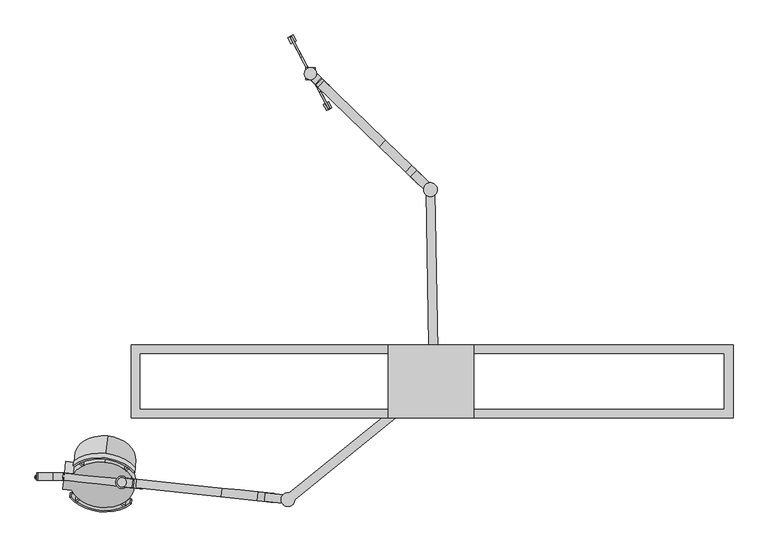
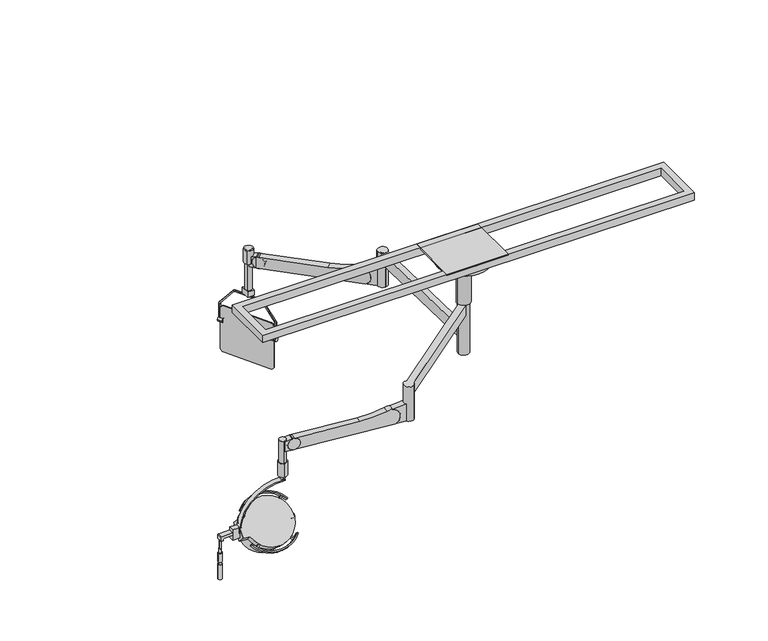
"""IFC4 building model written with IfcOpenShell, lengths in millimetres: proxy geometry."""

from ifc_helpers import new_model, si_unit, point, frame, frame_2d, origin, place, context, project, spatial, polyline, circle_curve, trimmed, segment, composite_curve, outline, extrude, source, transform, mapped, element, save
from ifc_brep_helpers import plane_surface, cylinder_surface, revolved_surface, advanced_brep


def specialty_equipment_6498ad8c(model_context):
    return source(origin(), model_context, "Body", "SolidModel", [
        advanced_brep(
        [(-513.8942609, 1001.8395463, 2046.4112668), (-522.8376942, 1018.6596979, 2027.3612668), (-522.8376942, 1018.6596979, 1784.8611512), (-513.8942609, 1001.8395463, 1765.8111512), (-383.4691924, 756.5456681, 1765.8111512), (-374.5257591, 739.7255165, 1784.8611512), (-374.5257591, 739.7255165, 2027.3612668), (-383.4691924, 756.5456681, 2046.4112668), (-508.4514172, 1004.7335576, 2046.4289905), (-377.9850696, 759.3620447, 2046.4289905), (-369.0829154, 742.6195278, 2027.3612668), (-369.0829154, 742.6195278, 1784.8611512), (-378.0263487, 759.4396794, 1765.8111512), (-508.4514172, 1004.7335576, 1765.8111512), (-517.3948505, 1021.5537092, 1784.8611512), (-517.3948505, 1021.5537092, 2027.3612668)],
        [
            (0, 1, circle_curve(frame((-513.8942609, 1001.8395463, 2027.3612668), z_axis=(-0.8829475928589281, -0.4694715627858887, 0.0), x_axis=(0.4694715627858887, -0.8829475928589281, 0.0)), 19.05)),
            (1, 2),
            (2, 3, circle_curve(frame((-513.8942609, 1001.8395463, 1784.8611512), z_axis=(-0.8829475928589281, -0.4694715627858887, 0.0), x_axis=(0.4694715627858887, -0.8829475928589281, 0.0)), 19.05)),
            (3, 4),
            (4, 5, circle_curve(frame((-383.4691924, 756.5456681, 1784.8611512), z_axis=(-0.8829475928589281, -0.4694715627858887, 0.0), x_axis=(0.4694715627858887, -0.8829475928589281, 0.0)), 19.05)),
            (5, 6),
            (6, 7, circle_curve(frame((-383.4691924, 756.5456681, 2027.3612668), z_axis=(-0.8829475928589281, -0.4694715627858887, 0.0), x_axis=(0.4694715627858887, -0.8829475928589281, 0.0)), 19.05)),
            (7, 0),
            (8, 9),
            (9, 10, circle_curve(frame((-378.0263487, 759.4396794, 2027.3612668), z_axis=(0.8829475928589281, 0.4694715627858887, 0.0), x_axis=(0.4694715627858887, -0.8829475928589281, 0.0)), 19.05)),
            (10, 11),
            (11, 12, circle_curve(frame((-378.0263487, 759.4396794, 1784.8611512), z_axis=(0.8829475928589281, 0.4694715627858887, 0.0), x_axis=(0.4694715627858887, -0.8829475928589281, 0.0)), 19.05)),
            (12, 13),
            (13, 14, circle_curve(frame((-508.4514172, 1004.7335576, 1784.8611512), z_axis=(0.8829475928589281, 0.4694715627858887, 0.0), x_axis=(0.4694715627858887, -0.8829475928589281, 0.0)), 19.05)),
            (14, 15),
            (15, 8, circle_curve(frame((-508.4514172, 1004.7335576, 2027.3612668), z_axis=(0.8829475928589281, 0.4694715627858887, 0.0), x_axis=(0.4694715627858887, -0.8829475928589281, 0.0)), 19.05)),
            (1, 15),
            (14, 2),
            (3, 13),
            (12, 4),
            (7, 9),
            (8, 0),
            (11, 5),
            (10, 6),
        ],
        [
            plane_surface(frame((-504.9508276, 985.0193946, 2027.3612668), z_axis=(-0.8829475928589281, -0.4694715627858887, 0.0), x_axis=(0.0, 0.0, 1.0))),
            plane_surface(frame((-499.507984, 987.9134059, 2027.3612668), z_axis=(0.8829475928589281, 0.4694715627858887, 0.0), x_axis=(0.0, 0.0, -1.0))),
            plane_surface(frame((-522.8376942, 1018.6596979, 2027.3612668), z_axis=(-0.46947156278589225, 0.8829475928589262, 0.0), x_axis=(0.8829475928589262, 0.46947156278589225, 0.0))),
            plane_surface(frame((-513.8942609, 1001.8395463, 1765.8111512), z_axis=(0.0, 0.0, -1.0000000000000002), x_axis=(0.8829475928589262, 0.46947156278589225, 0.0))),
            plane_surface(frame((-383.4279132, 756.4680334, 2046.4289905), z_axis=(0.0, 0.0, 1.0000000000000002), x_axis=(0.8829475928589262, 0.46947156278589225, 0.0))),
            cylinder_surface(frame((-508.4514172, 1004.7335576, 2027.3612668), z_axis=(-0.8829475928589281, -0.4694715627858887, 0.0), x_axis=(0.4694715627858887, -0.8829475928589281, 0.0)), 19.05),
            cylinder_surface(frame((-508.4514172, 1004.7335576, 1784.8611512), z_axis=(-0.8829475928589281, -0.4694715627858887, 0.0), x_axis=(0.4694715627858887, -0.8829475928589281, 0.0)), 19.05),
            cylinder_surface(frame((-378.0263487, 759.4396794, 1784.8611512), z_axis=(-0.8829475928589281, -0.4694715627858887, 0.0), x_axis=(0.4694715627858887, -0.8829475928589281, 0.0)), 19.05),
            plane_surface(frame((-374.5257591, 739.7255165, 1784.8611512), z_axis=(0.46947156278589225, -0.8829475928589262, 0.0), x_axis=(0.8829475928589262, 0.46947156278589225, 0.0))),
            cylinder_surface(frame((-378.0263487, 759.4396794, 2027.3612668), z_axis=(-0.8829475928589281, -0.4694715627858887, 0.0), x_axis=(0.4694715627858887, -0.8829475928589281, 0.0)), 19.05),
        ],
        [
            (0, [[1, 2, 3, 4, 5, 6, 7, 8]]),
            (1, [[9, 10, 11, 12, 13, 14, 15, 16]]),
            (2, [[-2, 17, -15, 18]]),
            (3, [[-4, 19, -13, 20]]),
            (4, [[-8, 21, -9, 22]]),
            (5, [[-1, -22, -16, -17]]),
            (6, [[-3, -18, -14, -19]]),
            (7, [[-5, -20, -12, 23]]),
            (8, [[-6, -23, -11, 24]]),
            (9, [[-7, -24, -10, -21]]),
        ],
    ),
        extrude(outline(composite_curve([segment(trimmed(circle_curve(frame_2d((0.0, -12.7)), 12.7), [point((0.0, -25.4))], [point((0.0, 0.0))], False, "CARTESIAN"), True, "CONTINUOUS"), segment(trimmed(circle_curve(frame_2d((0.0, -12.7)), 12.7), [point((0.0, 0.0))], [point((0.0, -25.4))], False, "CARTESIAN"), True, "CONTINUOUS")], self_intersect=False)), frame((-523.812155, 1000.15818, 1957.1110612), z_axis=(-0.46947156278589297, 0.8829475928589258, 0.0), x_axis=(0.0, 0.0, -1.0)), (0.0, 0.0, 1.0), 27.7312661),
        extrude(outline(composite_curve([segment(trimmed(circle_curve(frame_2d((0.0, -12.7)), 12.7), [point((0.0, -25.3999999))], [point((0.0, 0.0))], False, "CARTESIAN"), True, "CONTINUOUS"), segment(trimmed(circle_curve(frame_2d((0.0, -12.7)), 12.7), [point((0.0, 0.0))], [point((0.0, -25.3999999))], False, "CARTESIAN"), True, "CONTINUOUS")], self_intersect=False)), frame((-375.9280269, 722.0285866, 1957.1110612), z_axis=(-0.4694715627858873, 0.8829475928589289, 0.0), x_axis=(0.0, 0.0, -1.0)), (0.0, 0.0, 1.0), 27.7312661),
        extrude(outline(polyline([(-462.8551233, 850.0746977), (-462.8551233, 900.8746977), (-423.7336203, 900.8746977), (-423.7336203, 850.0746977), (-462.8551233, 850.0746977)])), frame((0.0, 0.0, 2174.6956266), z_axis=(0.0, 0.0, 1.0), x_axis=(1.0, 0.0, 0.0)), (0.0, 0.0, 1.0), 31.75),
        extrude(outline(composite_curve([segment(trimmed(circle_curve(frame_2d((0.0, -20.2693963)), 20.2693964), [point((12.7168685, -4.4855538))], [point((20.2693964, -20.2693963))], False, "CARTESIAN"), True, "CONTINUOUS"), segment(polyline([(20.2693964, -20.2693963), (20.2693964, -168.0406938)]), True, "CONTINUOUS"), segment(trimmed(circle_curve(frame_2d((0.0, -168.0406938)), 20.2693964), [point((20.2693964, -168.0406938))], [point((11.9140523, -184.4389799))], False, "CARTESIAN"), True, "CONTINUOUS"), segment(polyline([(11.9140523, -184.4389799), (-84.9796948, -262.5366206)]), True, "CONTINUOUS"), segment(trimmed(circle_curve(frame_2d((-92.4638155, -253.4593625)), 11.7647217), [point((-84.9796948, -262.5366206))], [point((-92.3622355, -265.2236457))], False, "CARTESIAN"), True, "CONTINUOUS"), segment(polyline([(-92.3622355, -265.2236457), (-177.1978944, -265.2236457), (-177.1978944, -256.6369988), (-94.1751587, -256.6369988)]), True, "CONTINUOUS"), segment(trimmed(circle_curve(frame_2d((-93.8125497, -246.9819184)), 9.661887), [point((-94.1751587, -256.6369988))], [point((-87.7322164, -254.4906872))], True, "CARTESIAN"), True, "CONTINUOUS"), segment(polyline([(-87.7322164, -254.4906872), (11.0847239, -174.4722513)]), True, "CONTINUOUS"), segment(trimmed(circle_curve(frame_2d((6.5642061, -168.8897411)), 7.1832793), [point((11.0847239, -174.4722513))], [point((13.7470195, -168.9715488))], True, "CARTESIAN"), True, "CONTINUOUS"), segment(polyline([(13.7470195, -168.9715488), (13.7470195, -15.1713537)]), True, "CONTINUOUS"), segment(trimmed(circle_curve(frame_2d((6.5642061, -15.2531615)), 7.1832793), [point((13.7470195, -15.1713537))], [point((10.9381038, -9.555046))], True, "CARTESIAN"), True, "CONTINUOUS"), segment(polyline([(10.9381038, -9.555046), (-87.9294285, 66.3360918)]), True, "CONTINUOUS"), segment(trimmed(circle_curve(frame_2d((-93.8125501, 58.6718279)), 9.661887), [point((-87.9294285, 66.3360918))], [point((-91.9442248, 68.1513543))], True, "CARTESIAN"), True, "CONTINUOUS"), segment(polyline([(-91.9442248, 68.1513543), (-177.1978944, 68.1513543), (-177.1978944, 76.9135556), (-92.3623126, 76.9135556)]), True, "CONTINUOUS"), segment(trimmed(circle_curve(frame_2d((-92.463816, 65.1492718)), 11.7647217), [point((-92.3623126, 76.9135556))], [point((-85.0827171, 74.3104975))], False, "CARTESIAN"), True, "CONTINUOUS"), segment(polyline([(-85.0827171, 74.3104975), (12.7168685, -4.4855538)]), True, "CONTINUOUS")], self_intersect=False)), frame((-403.6078411, 794.4209579, 2146.9059978), z_axis=(0.8829475928589281, 0.4694715627858887, 0.0), x_axis=(0.0, 0.0, 1.0)), (0.0, 0.0, 1.0), 6.1644017),
        advanced_brep(
        [(-1584.208122, -803.9443314, 2028.4513735), (-1570.1467767, -803.9443314, 2028.4513735), (-1571.9428855, -803.9443314, 2028.4513735), (-1582.4120132, -803.9443314, 2028.4513735), (-1584.208122, -803.9443314, 2003.0513735), (-1570.1467767, -803.9443314, 2003.0513735), (-1587.8930744, -803.9443314, 2003.0513735), (-1566.4618244, -803.9443314, 2003.0513735), (-1587.8930744, -803.9443314, 1949.888952), (-1566.4618244, -803.9443314, 1949.888952), (-1585.7004757, -803.9443314, 1933.2013735), (-1568.654423, -803.9443314, 1933.2013735), (-1568.654423, -803.9443314, 1949.888952), (-1585.7004757, -803.9443314, 1949.888952), (-1588.2899494, -803.9443314, 1933.2013735), (-1566.0649494, -803.9443314, 1933.2013735), (-1588.2899494, -803.9443314, 1844.3013735), (-1566.0649494, -803.9443314, 1844.3013735), (-1577.1774494, -803.9443314, 1844.3013735), (-1582.4120132, -803.9443314, 2079.2513735), (-1571.9428855, -803.9443314, 2079.2513735), (-1577.1774494, -803.9443314, 2079.2513735)],
        [
            (0, 1, circle_curve(frame((-1577.1774494, -803.9443314, 2028.4513735), z_axis=(0.0, 0.0, 1.0), x_axis=(1.0, 0.0, 0.0)), 7.0306726)),
            (1, 2),
            (2, 3, circle_curve(frame((-1577.1774494, -803.9443314, 2028.4513735), z_axis=(0.0, 0.0, -1.0), x_axis=(1.0, 0.0, 0.0)), 5.2345639)),
            (3, 0),
            (1, 0, circle_curve(frame((-1577.1774494, -803.9443314, 2028.4513735), z_axis=(0.0, 0.0, 1.0), x_axis=(1.0, 0.0, 0.0)), 7.0306726)),
            (3, 2, circle_curve(frame((-1577.1774494, -803.9443314, 2028.4513735), z_axis=(0.0, 0.0, -1.0), x_axis=(1.0, 0.0, 0.0)), 5.2345639)),
            (4, 5, circle_curve(frame((-1577.1774494, -803.9443314, 2003.0513735), z_axis=(0.0, 0.0, 1.0), x_axis=(1.0, 0.0, 0.0)), 7.0306726)),
            (5, 1),
            (0, 4),
            (5, 4, circle_curve(frame((-1577.1774494, -803.9443314, 2003.0513735), z_axis=(0.0, 0.0, 1.0), x_axis=(1.0, 0.0, 0.0)), 7.0306726)),
            (6, 7, circle_curve(frame((-1577.1774494, -803.9443314, 2003.0513735), z_axis=(0.0, 0.0, 1.0), x_axis=(1.0, 0.0, 0.0)), 10.715625)),
            (7, 5),
            (4, 6),
            (7, 6, circle_curve(frame((-1577.1774494, -803.9443314, 2003.0513735), z_axis=(0.0, 0.0, 1.0), x_axis=(1.0, 0.0, 0.0)), 10.715625)),
            (8, 9, circle_curve(frame((-1577.1774494, -803.9443314, 1949.888952), z_axis=(0.0, 0.0, 1.0), x_axis=(1.0, 0.0, 0.0)), 10.715625)),
            (9, 7),
            (6, 8),
            (9, 8, circle_curve(frame((-1577.1774494, -803.9443314, 1949.888952), z_axis=(0.0, 0.0, 1.0), x_axis=(1.0, 0.0, 0.0)), 10.715625)),
            (10, 11, circle_curve(frame((-1577.1774494, -803.9443314, 1933.2013735), z_axis=(0.0, 0.0, 1.0), x_axis=(1.0, 0.0, 0.0)), 8.5230263)),
            (11, 12),
            (12, 13, circle_curve(frame((-1577.1774494, -803.9443314, 1949.888952), z_axis=(0.0, 0.0, -1.0), x_axis=(1.0, 0.0, 0.0)), 8.5230263)),
            (13, 10),
            (11, 10, circle_curve(frame((-1577.1774494, -803.9443314, 1933.2013735), z_axis=(0.0, 0.0, 1.0), x_axis=(1.0, 0.0, 0.0)), 8.5230263)),
            (13, 12, circle_curve(frame((-1577.1774494, -803.9443314, 1949.888952), z_axis=(0.0, 0.0, -1.0), x_axis=(1.0, 0.0, 0.0)), 8.5230263)),
            (14, 15, circle_curve(frame((-1577.1774494, -803.9443314, 1933.2013735), z_axis=(0.0, 0.0, 1.0), x_axis=(1.0, 0.0, 0.0)), 11.1125)),
            (15, 11),
            (10, 14),
            (15, 14, circle_curve(frame((-1577.1774494, -803.9443314, 1933.2013735), z_axis=(0.0, 0.0, 1.0), x_axis=(1.0, 0.0, 0.0)), 11.1125)),
            (16, 17, circle_curve(frame((-1577.1774494, -803.9443314, 1844.3013735), z_axis=(0.0, 0.0, 1.0), x_axis=(1.0, 0.0, 0.0)), 11.1125)),
            (17, 15),
            (14, 16),
            (17, 16, circle_curve(frame((-1577.1774494, -803.9443314, 1844.3013735), z_axis=(0.0, 0.0, 1.0), x_axis=(1.0, 0.0, 0.0)), 11.1125)),
            (18, 17),
            (16, 18),
            (19, 20, circle_curve(frame((-1577.1774494, -803.9443314, 2079.2513735), z_axis=(0.0, 0.0, 1.0), x_axis=(1.0, 0.0, 0.0)), 5.2345639)),
            (20, 21),
            (21, 19),
            (20, 19, circle_curve(frame((-1577.1774494, -803.9443314, 2079.2513735), z_axis=(0.0, 0.0, 1.0), x_axis=(1.0, 0.0, 0.0)), 5.2345639)),
            (2, 20),
            (19, 3),
            (12, 9),
            (8, 13),
        ],
        [
            plane_surface(frame((-1577.1774494, -803.9443314, 2028.4513735), z_axis=(0.0, 0.0, 1.0), x_axis=(1.0, 0.0, 0.0))),
            cylinder_surface(frame((-1577.1774494, -803.9443314, 2079.2513735), z_axis=(0.0, 0.0, -1.0), x_axis=(1.0, 0.0, 0.0)), 7.0306726),
            plane_surface(frame((-1577.1774494, -803.9443314, 2003.0513735), z_axis=(0.0, 0.0, 1.0), x_axis=(1.0, 0.0, 0.0))),
            cylinder_surface(frame((-1577.1774494, -803.9443314, 2079.2513735), z_axis=(0.0, 0.0, -1.0), x_axis=(1.0, 0.0, 0.0)), 10.715625),
            cylinder_surface(frame((-1577.1774494, -803.9443314, 2079.2513735), z_axis=(0.0, 0.0, -1.0), x_axis=(1.0, 0.0, 0.0)), 8.5230263),
            plane_surface(frame((-1577.1774494, -803.9443314, 1933.2013735), z_axis=(0.0, 0.0, 1.0), x_axis=(1.0, 0.0, 0.0))),
            cylinder_surface(frame((-1577.1774494, -803.9443314, 2079.2513735), z_axis=(0.0, 0.0, -1.0), x_axis=(1.0, 0.0, 0.0)), 11.1125),
            plane_surface(frame((-1577.1774494, -803.9443314, 1844.3013735), z_axis=(0.0, 0.0, -1.0), x_axis=(1.0, 0.0, 0.0))),
            plane_surface(frame((-1577.1774494, -803.9443314, 2079.2513735), z_axis=(0.0, 0.0, 1.0), x_axis=(1.0, 0.0, 0.0))),
            cylinder_surface(frame((-1577.1774494, -803.9443314, 2079.2513735), z_axis=(0.0, 0.0, -1.0), x_axis=(1.0, 0.0, 0.0)), 5.2345639),
            plane_surface(frame((-1577.1774494, -803.9443314, 1949.888952), z_axis=(0.0, 0.0, -1.0), x_axis=(1.0, 0.0, 0.0))),
        ],
        [
            (0, [[1, 2, 3, 4]]),
            (0, [[5, -4, 6, -2]]),
            (1, [[7, 8, -1, 9]]),
            (1, [[10, -9, -5, -8]]),
            (2, [[11, 12, -7, 13]]),
            (2, [[14, -13, -10, -12]]),
            (3, [[15, 16, -11, 17]]),
            (3, [[18, -17, -14, -16]]),
            (4, [[19, 20, 21, 22]]),
            (4, [[23, -22, 24, -20]]),
            (5, [[25, 26, -19, 27]]),
            (5, [[28, -27, -23, -26]]),
            (6, [[29, 30, -25, 31]]),
            (6, [[32, -31, -28, -30]]),
            (7, [[33, -29, 34]]),
            (7, [[-34, -32, -33]]),
            (8, [[35, 36, 37]]),
            (8, [[38, -37, -36]]),
            (9, [[-3, 39, -35, 40]]),
            (9, [[-6, -40, -38, -39]]),
            (10, [[-21, 41, -15, 42]]),
            (10, [[-24, -42, -18, -41]]),
        ],
    ),
        extrude(outline(composite_curve([segment(polyline([(2091.9513735, -1560.3619797), (2091.9513735, -1511.2210105), (2107.0326235, -1511.2210105), (2107.0326235, -1574.7210105)]), True, "CONTINUOUS"), segment(trimmed(circle_curve(frame_2d((2100.6826235, -1574.7210105)), 6.35), [point((2107.0326235, -1574.7210105))], [point((2100.6826235, -1581.0710105))], False, "CARTESIAN"), True, "CONTINUOUS"), segment(polyline([(2100.6826235, -1581.0710105), (2079.2513735, -1581.0710105), (2079.2513735, -1565.9897605), (2086.3235927, -1565.9897605)]), True, "CONTINUOUS"), segment(trimmed(circle_curve(frame_2d((2086.3235927, -1560.3619797)), 5.6277808), [point((2086.3235927, -1565.9897605))], [point((2091.9513735, -1560.3619797))], True, "CARTESIAN"), True, "CONTINUOUS")], self_intersect=False)), frame((0.0, -816.7454978, 0.0), z_axis=(0.0, 1.0, 0.0), x_axis=(0.0, 0.0, 1.0)), (0.0, 0.0, 1.0), 30.2616651),
        extrude(outline(polyline([(-1511.2210105, -816.7454978), (-1511.2210105, -786.4838327), (-1461.9484859, -786.4838327), (-1461.9484859, -816.7454978), (-1511.2210105, -816.7454978)])), frame((0.0, 0.0, 2063.0952448), z_axis=(0.0, 0.0, 1.0), x_axis=(1.0, 0.0, 0.0)), (0.0, 0.0, 1.0), 62.4747574),
        extrude(outline(composite_curve([segment(trimmed(circle_curve(frame_2d((-442.6627669, 875.4746977)), 25.4), [point((-425.0184443, 893.7459287))], [point((-460.3070895, 857.2034668))], False, "CARTESIAN"), True, "CONTINUOUS"), segment(trimmed(circle_curve(frame_2d((-442.6627669, 875.4746977)), 25.4), [point((-460.3070895, 857.2034668))], [point((-425.0184443, 893.7459287))], False, "CARTESIAN"), True, "CONTINUOUS")], self_intersect=False)), frame((0.0, 0.0, 2372.395801), z_axis=(0.0, 0.0, 1.0), x_axis=(1.0, 0.0, 0.0)), (0.0, 0.0, 1.0), 81.4023591),
        extrude(outline(composite_curve([segment(trimmed(circle_curve(frame_2d((-442.6627669, 875.4746977)), 19.05), [point((-429.4295249, 889.1781209))], [point((-455.8960088, 861.7712745))], False, "CARTESIAN"), True, "CONTINUOUS"), segment(trimmed(circle_curve(frame_2d((-442.6627669, 875.4746977)), 19.05), [point((-455.8960088, 861.7712745))], [point((-429.4295249, 889.1781209))], False, "CARTESIAN"), True, "CONTINUOUS")], self_intersect=False)), frame((0.0, 0.0, 2206.4456266), z_axis=(0.0, 0.0, 1.0), x_axis=(1.0, 0.0, 0.0)), (0.0, 0.0, 1.0), 247.3525334),
        extrude(outline(composite_curve([segment(trimmed(circle_curve(frame_2d((7.3880479, -33.469286)), 34.2750106), [point((0.0, 0.0))], [point((0.0, -66.9385719))], True, "CARTESIAN"), True, "CONTINUOUS"), segment(polyline([(0.0, -66.9385719), (-47.5884878, -62.7751187), (-47.5884878, 0.0), (0.0, 0.0)]), True, "CONTINUOUS")], self_intersect=False)), frame((-421.1952184, 829.1986761, 2352.5500689), z_axis=(0.6946583704590021, 0.7193398003386466, 0.0), x_axis=(0.7193398003386466, -0.6946583704590021, 0.0)), (0.0, 0.0, 1.0), 36.7511439),
        extrude(outline(composite_curve([segment(trimmed(circle_curve(frame_2d((0.0, -34.2750106)), 34.2750106), [point((0.0, -68.5500212))], [point((0.0, 0.0))], False, "CARTESIAN"), True, "CONTINUOUS"), segment(trimmed(circle_curve(frame_2d((0.0, -34.2750106)), 34.2750106), [point((0.0, 0.0))], [point((0.0, -68.5500212))], False, "CARTESIAN"), True, "CONTINUOUS")], self_intersect=False)), frame((-391.2253222, 800.2570838, 2386.0193549), z_axis=(0.6946583704590019, 0.7193398003386466, 0.0), x_axis=(0.0, 0.0, 1.0)), (0.0, 0.0, 1.0), 36.7511439),
        extrude(outline(composite_curve([segment(polyline([(41.2242612, 21.6592667), (41.2242612, -76.3924791), (-68.2721908, -76.3924791), (-49.8465036, 45.4330266)]), True, "CONTINUOUS"), segment(trimmed(circle_curve(frame_2d((0.0, 50.0608718)), 50.0608717), [point((-49.8465036, 45.4330266))], [point((41.2242612, 21.6592667))], True, "CARTESIAN"), True, "CONTINUOUS")], self_intersect=False)), frame((4.1685268, 416.7737102, 2392.9338142), z_axis=(0.694658370459002, 0.7193398003386466, 0.0), x_axis=(0.0, 0.0, -1.0)), (0.0, 0.0, 1.0), 36.7511439),
        extrude(outline(composite_curve([segment(polyline([(710.5492114, 698.8665187), (710.5492114, 1069.9138415), (779.1688151, 1069.9138415), (779.1688151, 503.4843296)]), True, "CONTINUOUS"), segment(trimmed(circle_curve(frame_2d((735.4529793, 525.329056)), 48.8698923), [point((779.1688151, 503.4843296))], [point((691.4514506, 546.5924483))], False, "CARTESIAN"), True, "CONTINUOUS"), segment(trimmed(circle_curve(frame_2d((0.0, 710.6468589)), 710.646859), [point((691.4514506, 546.5924483))], [point((710.5492114, 698.8665187))], True, "CARTESIAN"), True, "CONTINUOUS")], self_intersect=False)), frame((345.8979888, 86.7694047, 3130.8783681), z_axis=(0.694658370459002, 0.7193398003386466, 0.0), x_axis=(0.0, 0.0, -1.0)), (0.0, 0.0, 1.0), 36.7511439),
        extrude(outline(composite_curve([segment(trimmed(circle_curve(frame_2d((56.1712971, 392.7134114)), 28.5779075), [point((84.744852, 393.2121647))], [point((27.5977422, 392.2146582))], False, "CARTESIAN"), True, "CONTINUOUS"), segment(trimmed(circle_curve(frame_2d((56.1712971, 392.7134114)), 28.5779075), [point((27.5977422, 392.2146582))], [point((84.744852, 393.2121647))], False, "CARTESIAN"), True, "CONTINUOUS")], self_intersect=False)), frame((0.0, 0.0, 2351.709553), z_axis=(0.0, 0.0, 1.0), x_axis=(1.0, 0.0, 0.0)), (0.0, 0.0, 1.0), 209.55),
        extrude(outline(polyline([(74.6698141, 382.3327244), (88.0328342, -383.2341812), (51.2872877, -383.8755771), (37.9242676, 381.6913285), (74.6698141, 382.3327244)])), frame((0.0, 0.0, 2495.4957127), z_axis=(0.0, 0.0, 1.0), x_axis=(1.0, 0.0, 0.0)), (0.0, 0.0, 1.0), 65.7638403),
        advanced_brep(
        [(-1317.8816643, -929.2233402, 2024.6636825), (-1298.1691245, -741.6710521, 2213.2490611), (-1428.2554124, -788.7568776, 2152.8234568), (-1465.1524714, -784.8788405, 2152.8234568), (-1472.4793898, -854.5898129, 2082.7284969), (-1434.2528075, -858.6075886, 2082.7284969), (-1294.7654582, -709.2873306, 2180.686961), (-1314.4779981, -896.8396187, 1992.1015825), (-1430.8491412, -826.2238671, 2050.1663968), (-1426.4836842, -826.6826951, 2050.1663968), (-1419.1567657, -756.9717227, 2120.2613567), (-1424.8517461, -756.3731562, 2120.2613567), (-1417.6940861, -743.0552556, 2106.2682338), (-1460.2861254, -738.5786518, 2106.2682338), (-1467.6130439, -808.2896242, 2036.1732739), (-1425.0210045, -812.766228, 2036.1732739)],
        [
            (0, 1, circle_curve(frame((-1308.0253944, -835.4471961, 2118.9563718), z_axis=(-0.07391278520356515, -0.7032331762534036, 0.7071067811865482), x_axis=(-0.07391278520356531, -0.7032331762534051, -0.7071067811865469)), 133.35)),
            (1, 2, circle_curve(frame((-1308.0253944, -835.4471961, 2118.9563718), z_axis=(-0.07391278520356515, -0.7032331762534036, 0.7071067811865482), x_axis=(-0.07391278520356531, -0.7032331762534051, -0.7071067811865469)), 133.35)),
            (2, 3),
            (3, 4),
            (4, 5),
            (5, 0, circle_curve(frame((-1308.0253944, -835.4471961, 2118.9563718), z_axis=(-0.07391278520356515, -0.7032331762534036, 0.7071067811865482), x_axis=(-0.07391278520356531, -0.7032331762534051, -0.7071067811865469)), 133.35)),
            (6, 7, circle_curve(frame((-1304.6217282, -803.0634746, 2086.3942717), z_axis=(0.07391278520356515, 0.7032331762534036, -0.7071067811865482), x_axis=(-0.07391278520356531, -0.7032331762534051, -0.7071067811865469)), 133.35)),
            (7, 8, circle_curve(frame((-1304.6217282, -803.0634746, 2086.3942717), z_axis=(0.07391278520356515, 0.7032331762534036, -0.7071067811865482), x_axis=(-0.07391278520356531, -0.7032331762534051, -0.7071067811865469)), 133.35)),
            (8, 9),
            (9, 10),
            (10, 11),
            (11, 6, circle_curve(frame((-1304.6217282, -803.0634746, 2086.3942717), z_axis=(0.07391278520356515, 0.7032331762534036, -0.7071067811865482), x_axis=(-0.07391278520356531, -0.7032331762534051, -0.7071067811865469)), 133.35)),
            (1, 6),
            (11, 2),
            (7, 0),
            (5, 8),
            (12, 13),
            (13, 3),
            (10, 12),
            (4, 14),
            (14, 15),
            (15, 9),
            (12, 15),
            (14, 13),
        ],
        [
            plane_surface(frame((-1317.8816643, -929.2233402, 2024.6636825), z_axis=(-0.07391278520356521, -0.7032331762534038, 0.7071067811865483), x_axis=(0.9945218953682736, -0.1045284632676514, 0.0))),
            plane_surface(frame((-1314.4779981, -896.8396187, 1992.1015825), z_axis=(0.07391278520356521, 0.7032331762534038, -0.7071067811865483), x_axis=(-0.9945218953682736, 0.1045284632676514, 0.0))),
            cylinder_surface(frame((-1304.6217282, -803.0634746, 2086.3942717), z_axis=(-0.07391278520356516, -0.7032331762534038, 0.7071067811865483), x_axis=(-0.07391278520356531, -0.7032331762534051, -0.7071067811865469)), 133.35),
            plane_surface(frame((-1460.2861254, -738.5786518, 2106.2682338), z_axis=(0.07391278520356691, 0.703233176253405, 0.7071067811865469), x_axis=(-0.9945218953682736, 0.10452846326765093, 0.0))),
            plane_surface(frame((-1467.6130439, -808.2896242, 2036.1732739), z_axis=(-0.07391278520356691, -0.703233176253405, -0.7071067811865469), x_axis=(0.9945218953682736, -0.10452846326765093, 0.0))),
            plane_surface(frame((-1417.6940861, -743.0552556, 2106.2682338), z_axis=(0.07391278520356293, 0.7032331762534036, -0.7071067811865488), x_axis=(-0.07391278520356726, -0.7032331762534053, -0.7071067811865465))),
            plane_surface(frame((-1460.2861254, -738.5786518, 2106.2682338), z_axis=(-0.9945218953682737, 0.104528463267651, 0.0), x_axis=(-0.07391278520356726, -0.7032331762534053, -0.7071067811865465))),
            plane_surface(frame((-1422.560432, -789.3554442, 2152.8234568), z_axis=(0.9945218953682737, -0.104528463267651, 0.0), x_axis=(-0.07391278520356726, -0.7032331762534053, -0.7071067811865465))),
        ],
        [
            (0, [[1, 2, 3, 4, 5, 6]]),
            (1, [[7, 8, 9, 10, 11, 12]]),
            (2, [[13, -12, 14, -2]]),
            (2, [[15, -6, 16, -8]]),
            (2, [[-1, -15, -7, -13]]),
            (3, [[17, 18, -3, -14, -11, 19]]),
            (4, [[20, 21, 22, -9, -16, -5]]),
            (5, [[-17, 23, -21, 24]]),
            (6, [[-18, -24, -20, -4]]),
            (7, [[-23, -19, -10, -22]]),
        ],
    ),
        extrude(outline(composite_curve([segment(trimmed(circle_curve(frame_2d((0.0, -12.7)), 12.7), [point((1e-07, -25.4))], [point((0.0, 0.0))], False, "CARTESIAN"), True, "CONTINUOUS"), segment(trimmed(circle_curve(frame_2d((0.0, -12.7)), 12.7), [point((0.0, 0.0))], [point((1e-07, -25.4))], False, "CARTESIAN"), True, "CONTINUOUS")], self_intersect=False)), frame((-1165.9192325, -824.4571923, 2113.3546941), z_axis=(-0.9945218953682732, 0.10452846326765453, 0.0), x_axis=(-0.07391278520356735, -0.7032331762534035, 0.7071067811865482)), (0.0, 0.0, 1.0), 16.4565188),
        extrude(outline(composite_curve([segment(trimmed(circle_curve(frame_2d((-1e-07, -127.0)), 127.0), [point((-1e-07, -254.0))], [point((0.0, 0.0))], False, "CARTESIAN"), True, "CONTINUOUS"), segment(trimmed(circle_curve(frame_2d((-1e-07, -127.0)), 127.0), [point((0.0, 0.0))], [point((-1e-07, -254.0))], False, "CARTESIAN"), True, "CONTINUOUS")], self_intersect=False)), frame((-1305.2362725, -811.2181778, 1913.9752738), z_axis=(-0.07391278520356517, -0.7032331762534036, 0.7071067811865483), x_axis=(-0.9945218953682736, 0.10452846326765138, 0.0)), (0.0, 0.0, 1.0), 116.1385621),
        extrude(outline(polyline([(0.0, 0.0), (3.1250724, -17.7231666), (-4.9953789, -19.1550213), (-8.372926, 0.0), (0.0, 0.0)])), frame((-1389.929605, -739.1713865, 2168.9296226), z_axis=(-0.07391278520356503, -0.7032331762534039, 0.7071067811865481), x_axis=(-0.857059275618917, -0.3177332747871823, -0.4055797876726481)), (0.0, 0.0, 1.0), 26.3141506),
        extrude(outline(polyline([(18.498546, 1e-07), (19.9524894, -8.2457224), (0.501971, -8.2457224), (0.501971, 0.0), (18.498546, 1e-07)])), frame((-1193.9185175, -750.4727613, 2178.1788956), z_axis=(-0.07391278520356509, -0.7032331762534036, 0.7071067811865483), x_axis=(-0.7554974078872302, -0.423348162480572, -0.49999999999999944)), (0.0, 0.0, 1.0), 26.3141506),
        extrude(outline(composite_curve([segment(polyline([(128.2125306, -66.0776604), (123.7224025, -70.5677884)]), True, "CONTINUOUS"), segment(trimmed(circle_curve(frame_2d((0.0, -160.9109814)), 153.1963621), [point((123.7224025, -70.5677884))], [point((-123.7224025, -70.5677884))], True, "CARTESIAN"), True, "CONTINUOUS"), segment(polyline([(-123.7224025, -70.5677884), (-128.2125305, -66.0776604)]), True, "CONTINUOUS"), segment(trimmed(circle_curve(frame_2d((0.0, -157.4262018)), 157.4262018), [point((-128.2125305, -66.0776604))], [point((128.2125306, -66.0776604))], False, "CARTESIAN"), True, "CONTINUOUS")], self_intersect=False)), frame((-1294.324643, -705.0932536, 2212.8145116), z_axis=(-0.0739127852035651, -0.7032331762534036, 0.7071067811865482), x_axis=(0.9945218953682736, -0.10452846326765133, 0.0)), (0.0, 0.0, 1.0), 26.3141506),
        extrude(outline(polyline([(18.4985461, 0.0), (19.9524893, -8.2457224), (0.5019711, -8.2457224), (0.501971, 0.0), (18.4985461, 0.0)])), frame((-1418.2423671, -883.4116635, 2022.5200194), z_axis=(-0.07391278520356505, -0.7032331762534038, 0.7071067811865482), x_axis=(0.7554974078872312, 0.42334816248057117, 0.4999999999999987)), (0.0, 0.0, 1.0), 26.3141506),
        extrude(outline(polyline([(0.0, 0.0), (3.1250724, -17.7231666), (-4.9953789, -19.1550212), (-8.3729259, 0.0), (0.0, 0.0)])), frame((-1222.2312796, -894.7130384, 2031.7692924), z_axis=(-0.07391278520356527, -0.7032331762534036, 0.7071067811865482), x_axis=(0.8570592756189218, 0.3177332747871762, 0.40557978767264263)), (0.0, 0.0, 1.0), 26.3141506),
        extrude(outline(composite_curve([segment(trimmed(circle_curve(frame_2d((-129.8531229, -26.0667767)), 157.4262018), [point((25.3999999, -1e-07))], [point((-155.9198996, -181.3198996))], False, "CARTESIAN"), True, "CONTINUOUS"), segment(polyline([(-155.9198996, -181.3198996), (-155.9198996, -174.9698996)]), True, "CONTINUOUS"), segment(trimmed(circle_curve(frame_2d((-132.3172342, -23.6026655)), 153.1963621), [point((-155.9198996, -174.9698996))], [point((19.0499999, -1e-07))], True, "CARTESIAN"), True, "CONTINUOUS"), segment(polyline([(19.0499999, -1e-07), (25.3999999, -1e-07)]), True, "CONTINUOUS")], self_intersect=False)), frame((-1201.9766999, -881.2172142, 2047.3083651), z_axis=(-0.07391278520356528, -0.7032331762534036, 0.7071067811865483), x_axis=(0.6509689446196784, -0.5711737328876467, -0.49999999999993344)), (0.0, 0.0, 1.0), 26.3141506),
        extrude(outline(composite_curve([segment(polyline([(0.0, 0.0), (6.3415605, 0.0)]), True, "CONTINUOUS"), segment(trimmed(circle_curve(frame_2d((259.6750509, -26.7712504)), 254.7441013), [point((6.3415605, 0.0))], [point((253.7031106, -281.4453423))], True, "CARTESIAN"), True, "CONTINUOUS"), segment(polyline([(253.7031106, -281.4453423), (253.7031106, -288.5484987)]), True, "CONTINUOUS"), segment(trimmed(circle_curve(frame_2d((261.517805, -25.8704226)), 262.7942943), [point((253.7031106, -288.5484987))], [point((0.0, 0.0))], False, "CARTESIAN"), True, "CONTINUOUS")], self_intersect=False)), frame((-1474.8454562, -816.4331656, 2063.0952448), z_axis=(0.10452846326765929, 0.9945218953682727, 0.0), x_axis=(0.9945218953682727, -0.10452846326765929, 0.0)), (0.0, 0.0, 1.0), 30.1143022),
        extrude(outline(composite_curve([segment(trimmed(circle_curve(frame_2d((-1227.0018995, -825.1702974)), 12.7), [point((-1228.329411, -837.8007255))], [point((-1225.674388, -812.5398693))], False, "CARTESIAN"), True, "CONTINUOUS"), segment(trimmed(circle_curve(frame_2d((-1227.0018995, -825.1702974)), 12.7), [point((-1225.674388, -812.5398693))], [point((-1228.329411, -837.8007255))], False, "CARTESIAN"), True, "CONTINUOUS")], self_intersect=False)), frame((0.0, 0.0, 2350.961509), z_axis=(0.0, 0.0, 1.0), x_axis=(1.0, 0.0, 0.0)), (0.0, 0.0, 1.0), 21.434292),
        advanced_brep(
        [(-1228.9931667, -844.1159395, 2587.8665526), (-1225.0106323, -806.2246553, 2587.8665526), (-1228.9931667, -844.1159395, 2453.79816), (-1225.0106323, -806.2246553, 2453.79816), (-1229.6569225, -850.4311535, 2453.79816), (-1224.3468765, -799.9094412, 2453.79816), (-1229.6569225, -850.4311535, 2372.395801), (-1224.3468765, -799.9094412, 2372.395801)],
        [
            (0, 1, circle_curve(frame((-1227.0018995, -825.1702974, 2587.8665526), z_axis=(0.0, 0.0, 1.0), x_axis=(0.10452846326765758, 0.9945218953682731, 0.0)), 19.05)),
            (1, 0, circle_curve(frame((-1227.0018995, -825.1702974, 2587.8665526), z_axis=(0.0, 0.0, 1.0), x_axis=(0.10452846326765758, 0.9945218953682731, 0.0)), 19.05)),
            (0, 2),
            (2, 3, circle_curve(frame((-1227.0018995, -825.1702974, 2453.79816), z_axis=(0.0, 0.0, 1.0), x_axis=(0.10452846326765758, 0.9945218953682731, 0.0)), 19.05)),
            (3, 1),
            (3, 2, circle_curve(frame((-1227.0018995, -825.1702974, 2453.79816), z_axis=(0.0, 0.0, 1.0), x_axis=(0.10452846326765758, 0.9945218953682731, 0.0)), 19.05)),
            (4, 5, circle_curve(frame((-1227.0018995, -825.1702974, 2453.79816), z_axis=(0.0, 0.0, 1.0), x_axis=(0.10452846326765758, 0.9945218953682731, 0.0)), 25.4)),
            (5, 4, circle_curve(frame((-1227.0018995, -825.1702974, 2453.79816), z_axis=(0.0, 0.0, 1.0), x_axis=(0.10452846326765758, 0.9945218953682731, 0.0)), 25.4)),
            (6, 7, circle_curve(frame((-1227.0018995, -825.1702974, 2372.395801), z_axis=(0.0, 0.0, -1.0), x_axis=(0.10452846326765758, 0.9945218953682731, 0.0)), 25.4)),
            (7, 6, circle_curve(frame((-1227.0018995, -825.1702974, 2372.395801), z_axis=(0.0, 0.0, -1.0), x_axis=(0.10452846326765758, 0.9945218953682731, 0.0)), 25.4)),
            (4, 6),
            (7, 5),
        ],
        [
            plane_surface(frame((-1225.0106323, -806.2246553, 2587.8665526), z_axis=(0.0, 0.0, 1.0000000000000002), x_axis=(-0.9945218953682731, 0.10452846326765758, 0.0))),
            cylinder_surface(frame((-1227.0018995, -825.1702974, 2453.79816), z_axis=(0.0, 0.0, 1.0000000000000002), x_axis=(0.10452846326765758, 0.9945218953682731, 0.0)), 19.05),
            plane_surface(frame((-1224.3468765, -799.9094412, 2453.79816), z_axis=(0.0, 0.0, 1.0), x_axis=(-0.994521895368273, 0.10452846326765756, 0.0))),
            plane_surface(frame((-1224.3468765, -799.9094412, 2372.395801), z_axis=(0.0, 0.0, -1.0), x_axis=(0.994521895368273, -0.10452846326765756, 0.0))),
            cylinder_surface(frame((-1227.0018995, -825.1702974, 2372.395801), z_axis=(0.0, 0.0, 1.0000000000000002), x_axis=(0.10452846326765758, 0.9945218953682731, 0.0)), 25.4),
        ],
        [
            (0, [[1, 2]]),
            (1, [[-1, 3, 4, 5]]),
            (1, [[-2, -5, 6, -3]]),
            (2, [[7, 8], [-4, -6]]),
            (3, [[9, 10]]),
            (4, [[-7, 11, -10, 12]]),
            (4, [[-8, -12, -9, -11]]),
        ],
    ),
        extrude(outline(composite_curve([segment(trimmed(circle_curve(frame_2d((0.0, 34.2750106)), 34.2750106), [point((33.469286, 41.6630585))], [point((-33.4692859, 41.6630585))], True, "CARTESIAN"), True, "CONTINUOUS"), segment(polyline([(-33.4692859, 41.6630585), (-29.3058327, 89.2515463), (33.469286, 89.2515463), (33.469286, 41.6630585)]), True, "CONTINUOUS")], self_intersect=False)), frame((-1140.1600528, -852.774533, 2554.3972667), z_axis=(0.10452846326765929, 0.9945218953682727, 0.0), x_axis=(0.0, 0.0, -1.0)), (0.0, 0.0, 1.0), 36.7511439),
        extrude(outline(composite_curve([segment(trimmed(circle_curve(frame_2d((0.0, -34.2750106)), 34.2750106), [point((0.0, -68.5500212))], [point((0.0, 0.0))], False, "CARTESIAN"), True, "CONTINUOUS"), segment(trimmed(circle_curve(frame_2d((0.0, -34.2750106)), 34.2750106), [point((0.0, 0.0))], [point((0.0, -68.5500212))], False, "CARTESIAN"), True, "CONTINUOUS")], self_intersect=False)), frame((-1140.1600528, -852.774533, 2554.3972667), z_axis=(0.10452846326765929, 0.9945218953682727, 0.0), x_axis=(0.0, 0.0, 1.0)), (0.0, 0.0, 1.0), 36.7511439),
        extrude(outline(composite_curve([segment(polyline([(-47.5358638, 0.0), (50.515882, 0.0), (50.515882, -109.496452), (-71.3096238, -91.0707648)]), True, "CONTINUOUS"), segment(trimmed(circle_curve(frame_2d((-75.9374689, -41.2242612)), 50.0608717), [point((-71.3096238, -91.0707648))], [point((-47.5358638, 0.0))], True, "CARTESIAN"), True, "CONTINUOUS")], self_intersect=False)), frame((-566.5056359, -911.8702738, 2520.0874648), z_axis=(0.1045284632676593, 0.9945218953682727, 0.0), x_axis=(0.9945218953682727, -0.1045284632676593, 0.0)), (0.0, 0.0, 1.0), 36.7511439),
        extrude(outline(composite_curve([segment(polyline([(-738.5295477, 0.0), (-367.482225, 0.0), (-367.482225, -68.6196037), (-933.9117369, -68.6196037)]), True, "CONTINUOUS"), segment(trimmed(circle_curve(frame_2d((-912.0670104, -24.9037679)), 48.8698923), [point((-933.9117369, -68.6196037))], [point((-890.8036183, 19.0977608))], False, "CARTESIAN"), True, "CONTINUOUS"), segment(trimmed(circle_curve(frame_2d((-726.7492075, 710.5492114)), 710.646859), [point((-890.8036183, 19.0977608))], [point((-738.5295477, 0.0))], True, "CARTESIAN"), True, "CONTINUOUS")], self_intersect=False)), frame((-1549.3049103, -808.5739076, 2588.7070685), z_axis=(0.10452846326765929, 0.9945218953682727, 0.0), x_axis=(-0.9945218953682727, 0.10452846326765929, 0.0)), (0.0, 0.0, 1.0), 36.7511439),
        advanced_brep(
        [(78.3495996, -422.624242, 2729.6374648), (55.2213554, -394.0632389, 2729.6374648), (-531.1741252, -868.9169362, 2729.6374648), (-554.5256031, -874.7771815, 2729.6374648), (-518.5562833, -919.1955922, 2729.6374648), (-507.9662266, -897.4134365, 2729.6374648), (55.2213554, -394.0632389, 2663.8736245), (78.3495996, -422.624242, 2663.8736245), (-507.9662266, -897.4134365, 2663.8736245), (-531.1741252, -868.9169362, 2663.8736245), (-518.5562833, -919.1955922, 2520.0874648), (-554.5256031, -874.7771815, 2520.0874648)],
        [
            (0, 1),
            (1, 2),
            (2, 3, circle_curve(frame((-536.5409432, -896.9863869, 2729.6374648), z_axis=(0.0, 0.0, 1.0), x_axis=(-0.6293203910498335, 0.7771459614569741, 0.0)), 28.5779075)),
            (3, 4, circle_curve(frame((-536.5409432, -896.9863869, 2729.6374648), z_axis=(0.0, 0.0, 1.0), x_axis=(-0.6293203910498335, 0.7771459614569741, 0.0)), 28.5779075)),
            (4, 5, circle_curve(frame((-536.5409432, -896.9863869, 2729.6374648), z_axis=(0.0, 0.0, 1.0), x_axis=(-0.6293203910498335, 0.7771459614569741, 0.0)), 28.5779075)),
            (5, 0),
            (6, 7),
            (7, 8),
            (8, 9, circle_curve(frame((-536.5409432, -896.9863869, 2663.8736245), z_axis=(0.0, 0.0, 1.0), x_axis=(-0.6293203910498335, 0.7771459614569741, 0.0)), 28.5779075)),
            (9, 6),
            (7, 0),
            (5, 8),
            (6, 1),
            (9, 2),
            (10, 11, circle_curve(frame((-536.5409432, -896.9863869, 2520.0874648), z_axis=(0.0, 0.0, -1.0), x_axis=(-0.6293203910498335, 0.7771459614569741, 0.0)), 28.5779075)),
            (11, 10, circle_curve(frame((-536.5409432, -896.9863869, 2520.0874648), z_axis=(0.0, 0.0, -1.0), x_axis=(-0.6293203910498335, 0.7771459614569741, 0.0)), 28.5779075)),
            (11, 3),
            (4, 10),
        ],
        [
            plane_surface(frame((78.3495996, -422.624242, 2729.6374648), z_axis=(0.0, 0.0, 1.0), x_axis=(0.7771459614569731, 0.6293203910498347, 0.0))),
            plane_surface(frame((78.3495996, -422.624242, 2663.8736245), z_axis=(0.0, 0.0, -1.0), x_axis=(-0.7771459614569731, -0.6293203910498347, 0.0))),
            plane_surface(frame((-516.698258, -904.4844961, 2729.6374648), z_axis=(0.6293203910498347, -0.7771459614569731, 0.0), x_axis=(0.0, 0.0, -1.0))),
            plane_surface(frame((78.3495996, -422.624242, 2729.6374648), z_axis=(0.7771459614569741, 0.6293203910498334, 0.0), x_axis=(0.0, 0.0, -1.0))),
            plane_surface(frame((55.2213554, -394.0632389, 2729.6374648), z_axis=(-0.6293203910498347, 0.7771459614569732, 0.0), x_axis=(0.0, 0.0, -1.0))),
            plane_surface(frame((-554.5256031, -874.7771815, 2520.0874648), z_axis=(0.0, 0.0, -1.0), x_axis=(0.7771459614569741, 0.6293203910498335, 0.0))),
            cylinder_surface(frame((-536.5409432, -896.9863869, 2520.0874648), z_axis=(0.0, 0.0, 1.0), x_axis=(-0.6293203910498335, 0.7771459614569741, 0.0)), 28.5779075),
        ],
        [
            (0, [[1, 2, 3, 4, 5, 6]]),
            (1, [[7, 8, 9, 10]]),
            (2, [[11, -6, 12, -8]]),
            (3, [[-1, -11, -7, 13]]),
            (4, [[-13, -10, 14, -2]]),
            (5, [[15, 16]]),
            (6, [[-16, 17, -3, -14, -9, -12, -5, 18]]),
            (6, [[-4, -17, -15, -18]]),
        ],
    ),
        extrude(outline(composite_curve([segment(trimmed(circle_curve(frame_2d((64.38677, -407.0120309)), 31.75), [point((96.13677, -407.0120309))], [point((32.63677, -407.0120309))], False, "CARTESIAN"), True, "CONTINUOUS"), segment(trimmed(circle_curve(frame_2d((64.38677, -407.0120309)), 31.75), [point((32.63677, -407.0120309))], [point((96.13677, -407.0120309))], False, "CARTESIAN"), True, "CONTINUOUS")], self_intersect=False)), frame((0.0, 0.0, 2420.3291567), z_axis=(0.0, 0.0, 1.0), x_axis=(1.0, 0.0, 0.0)), (0.0, 0.0, 1.0), 309.3083081),
        extrude(outline(composite_curve([segment(trimmed(circle_curve(frame_2d((64.38677, -407.0120309)), 38.1), [point((102.48677, -407.0120309))], [point((26.28677, -407.0120309))], False, "CARTESIAN"), True, "CONTINUOUS"), segment(trimmed(circle_curve(frame_2d((64.38677, -407.0120309)), 38.1), [point((26.28677, -407.0120309))], [point((102.48677, -407.0120309))], False, "CARTESIAN"), True, "CONTINUOUS")], self_intersect=False)), frame((0.0, 0.0, 2729.6374648), z_axis=(0.0, 0.0, 1.0), x_axis=(1.0, 0.0, 0.0)), (0.0, 0.0, 1.0), 274.9283384),
        extrude(outline(polyline([(-119.5550645, -558.1216486), (-119.5550645, -253.3216486), (235.9984135, -253.3216486), (235.9984135, -558.1216486), (-119.5550645, -558.1216486)])), frame((0.0, 0.0, 3042.3776216), z_axis=(0.0, 0.0, 1.0), x_axis=(1.0, 0.0, 0.0)), (0.0, 0.0, 1.0), 7.6223784),
        advanced_brep(
        [(124.6894938, -406.8374194, 2945.4888457), (4.0394938, -406.8374194, 2945.4888457), (-85.8559963, -406.8374194, 2987.4320065), (214.5849838, -406.8374194, 2987.4320065), (64.3644938, -406.8374194, 2945.4888457), (214.5849838, -406.8374194, 3042.1428225), (-85.8559963, -406.8374194, 3042.1428225), (64.3644938, -406.8374194, 3042.1428225)],
        [
            (0, 1, circle_curve(frame((64.3644938, -406.8374194, 2945.4888457), z_axis=(0.0, 0.0, 1.0), x_axis=(-1.0, 0.0, 0.0)), 60.325)),
            (1, 2),
            (2, 3, circle_curve(frame((64.3644938, -406.8374194, 2987.4320065), z_axis=(0.0, 0.0, -1.0), x_axis=(-1.0, 0.0, 0.0)), 150.22049)),
            (3, 0),
            (1, 0, circle_curve(frame((64.3644938, -406.8374194, 2945.4888457), z_axis=(0.0, 0.0, 1.0), x_axis=(-1.0, 0.0, 0.0)), 60.325)),
            (3, 2, circle_curve(frame((64.3644938, -406.8374194, 2987.4320065), z_axis=(0.0, 0.0, -1.0), x_axis=(-1.0, 0.0, 0.0)), 150.22049)),
            (4, 1),
            (0, 4),
            (5, 6, circle_curve(frame((64.3644938, -406.8374194, 3042.1428225), z_axis=(0.0, 0.0, 1.0), x_axis=(-1.0, 0.0, 0.0)), 150.22049)),
            (6, 7),
            (7, 5),
            (6, 5, circle_curve(frame((64.3644938, -406.8374194, 3042.1428225), z_axis=(0.0, 0.0, 1.0), x_axis=(-1.0, 0.0, 0.0)), 150.22049)),
            (2, 6),
            (5, 3),
        ],
        [
            revolved_surface(polyline([(-85.8559963, -406.8374194, 2987.4320065), (4.0394938, -406.8374194, 2945.4888457)]), (64.3644938, -406.8374194, 3042.6664793), (0.0, 0.0, -1.0)),
            plane_surface(frame((64.3644938, -406.8374194, 2945.4888457), z_axis=(0.0, 0.0, -1.0), x_axis=(-1.0, 0.0, 0.0))),
            plane_surface(frame((64.3644938, -406.8374194, 3042.1428225), z_axis=(0.0, 0.0, 1.0), x_axis=(-1.0, 0.0, 0.0))),
            cylinder_surface(frame((64.3644938, -406.8374194, 3042.6664793), z_axis=(0.0, 0.0, -1.0), x_axis=(-1.0, 0.0, 0.0)), 150.22049),
        ],
        [
            (0, [[1, 2, 3, 4]]),
            (0, [[5, -4, 6, -2]]),
            (1, [[7, -1, 8]]),
            (1, [[-8, -5, -7]]),
            (2, [[9, 10, 11]]),
            (2, [[12, -11, -10]]),
            (3, [[-3, 13, -9, 14]]),
            (3, [[-6, -14, -12, -13]]),
        ],
    ),
        extrude(outline(polyline([(-1187.5673536, -558.1216486), (-1187.5673536, -253.3216486), (1314.3326464, -253.3216486), (1314.3326464, -558.1216486), (-1187.5673536, -558.1216486)]), holes=[polyline([(-1149.470426, -520.0216486), (1276.2295741, -520.0216486), (1276.2295741, -291.4216486), (-1149.470426, -291.4216486), (-1149.470426, -520.0216486)])]), frame((0.0, 0.0, 3004.5658033), z_axis=(0.0, 0.0, 1.0), x_axis=(1.0, 0.0, 0.0)), (0.0, 0.0, 1.0), 45.4341967),
    ])


if __name__ == "__main__":
    model = new_model("IFC4")
    model_context = context("Model", 3, world=origin())
    ifc_project = project(units=[si_unit("LENGTHUNIT", "METRE", prefix="MILLI")], contexts=[model_context])
    site = spatial("IfcSite", under=ifc_project)
    building = spatial("IfcBuilding", under=site)
    placement = place(None, origin())
    specialty_equipment_shape = specialty_equipment_6498ad8c(model_context)
    element("IfcBuildingElementProxy", 1, Name="Specialty Equipment", at=placement, inside=building, context=model_context, shape_type="MappedRepresentation", body=[
        mapped(specialty_equipment_shape, transform((0.0, 0.0, 0.0), x_axis=(1.0, 0.0, 0.0), y_axis=(0.0, 1.0, 0.0), z_axis=(0.0, 0.0, 1.0))),
    ])
    save(model, "model.ifc")
